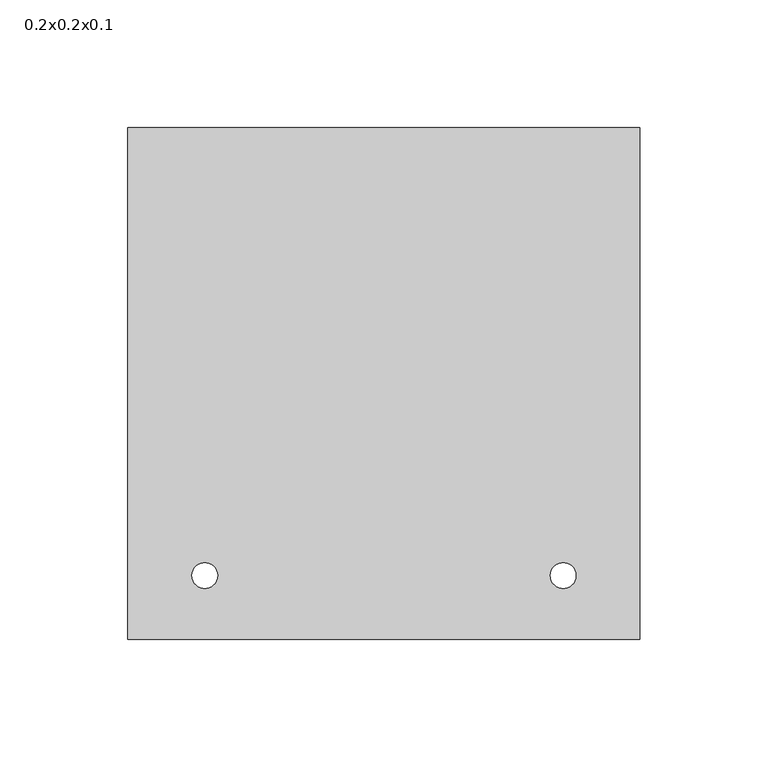
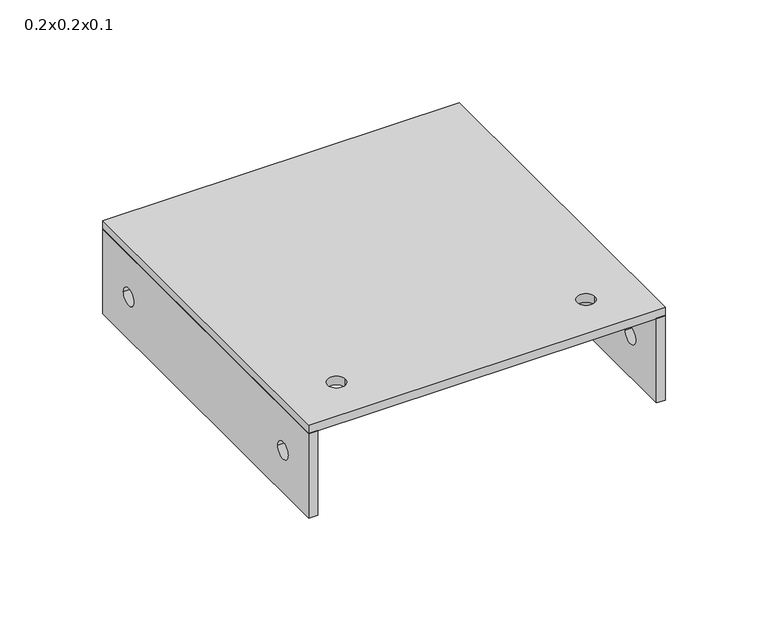
"""IFC4 building model written with IfcOpenShell, lengths in millimetres: proxy geometry, 0.2x0.2x0.1."""

from ifc_helpers import new_model, si_unit, point, frame, frame_2d, origin, origin_with_axes, place, context, project, spatial, polyline, circle_curve, trimmed, segment, composite_curve, outline, extrude, source, transform, mapped, element, save


def proxy_0_2x0_2x0_1_59eddf38(model_context):
    return source(origin(), model_context, "Body", "SweptSolid", [
        extrude(outline(polyline([(200.0, -50.0), (0.0, -50.0), (0.0, 0.0), (200.0, 0.0), (200.0, -50.0)]), holes=[composite_curve([segment(trimmed(circle_curve(frame_2d((25.0, -25.0)), 5.0), [point((20.0, -25.0))], [point((30.0, -25.0))], True, "CARTESIAN"), True, "CONTINUOUS"), segment(trimmed(circle_curve(frame_2d((25.0, -25.0)), 5.0), [point((30.0, -25.0))], [point((20.0, -25.0))], True, "CARTESIAN"), True, "CONTINUOUS")], self_intersect=False), composite_curve([segment(trimmed(circle_curve(frame_2d((175.0, -25.0)), 5.0), [point((170.0, -25.0))], [point((180.0, -25.0))], True, "CARTESIAN"), True, "CONTINUOUS"), segment(trimmed(circle_curve(frame_2d((175.0, -25.0)), 5.0), [point((180.0, -25.0))], [point((170.0, -25.0))], True, "CARTESIAN"), True, "CONTINUOUS")], self_intersect=False)]), frame((0.0, 0.0, 0.0), z_axis=(1.0, 0.0, 0.0), x_axis=(0.0, 1.0, 0.0)), (0.0, 0.0, 1.0), 5.0),
        extrude(outline(polyline([(200.0, -50.0), (0.0, -50.0), (0.0, 0.0), (200.0, 0.0), (200.0, -50.0)]), holes=[composite_curve([segment(trimmed(circle_curve(frame_2d((25.0, -25.0)), 5.0), [point((20.0, -25.0))], [point((30.0, -25.0))], True, "CARTESIAN"), True, "CONTINUOUS"), segment(trimmed(circle_curve(frame_2d((25.0, -25.0)), 5.0), [point((30.0, -25.0))], [point((20.0, -25.0))], True, "CARTESIAN"), True, "CONTINUOUS")], self_intersect=False), composite_curve([segment(trimmed(circle_curve(frame_2d((175.0, -25.0)), 5.0), [point((170.0, -25.0))], [point((180.0, -25.0))], True, "CARTESIAN"), True, "CONTINUOUS"), segment(trimmed(circle_curve(frame_2d((175.0, -25.0)), 5.0), [point((180.0, -25.0))], [point((170.0, -25.0))], True, "CARTESIAN"), True, "CONTINUOUS")], self_intersect=False)]), frame((195.0, 0.0, 0.0), z_axis=(1.0, 0.0, 0.0), x_axis=(0.0, 1.0, 0.0)), (0.0, 0.0, 1.0), 5.0),
        extrude(outline(polyline([(200.0, 200.0), (200.0, 0.0), (0.0, 0.0), (0.0, 200.0), (200.0, 200.0)]), holes=[composite_curve([segment(trimmed(circle_curve(frame_2d((30.0, 25.0)), 5.0), [point((25.0, 25.0))], [point((35.0, 25.0))], True, "CARTESIAN"), True, "CONTINUOUS"), segment(trimmed(circle_curve(frame_2d((30.0, 25.0)), 5.0), [point((35.0, 25.0))], [point((25.0, 25.0))], True, "CARTESIAN"), True, "CONTINUOUS")], self_intersect=False), composite_curve([segment(trimmed(circle_curve(frame_2d((170.0, 25.0)), 5.0), [point((165.0, 25.0))], [point((175.0, 25.0))], True, "CARTESIAN"), True, "CONTINUOUS"), segment(trimmed(circle_curve(frame_2d((170.0, 25.0)), 5.0), [point((175.0, 25.0))], [point((165.0, 25.0))], True, "CARTESIAN"), True, "CONTINUOUS")], self_intersect=False)]), origin_with_axes(), (0.0, 0.0, 1.0), 5.0),
    ])


if __name__ == "__main__":
    model = new_model("IFC4")
    model_context = context("Model", 3, world=origin())
    ifc_project = project(units=[si_unit("LENGTHUNIT", "METRE", prefix="MILLI")], contexts=[model_context])
    site = spatial("IfcSite", under=ifc_project)
    building = spatial("IfcBuilding", under=site)
    placement = place(None, origin())
    proxy_0_2x0_2x0_1_shape = proxy_0_2x0_2x0_1_59eddf38(model_context)
    element("IfcBuildingElementProxy", 1, Name="0.2x0.2x0.1", ObjectType="0.2x0.2x0.1", at=placement, inside=building, context=model_context, shape_type="MappedRepresentation", body=[
        mapped(proxy_0_2x0_2x0_1_shape, transform((0.0, 0.0, 0.0), x_axis=(1.0, 0.0, 0.0), y_axis=(0.0, 1.0, 0.0), z_axis=(0.0, 0.0, 1.0))),
    ])
    save(model, "model.ifc")
